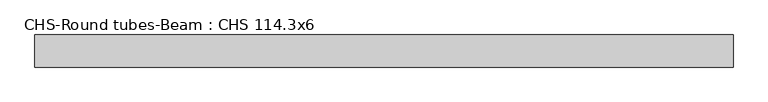
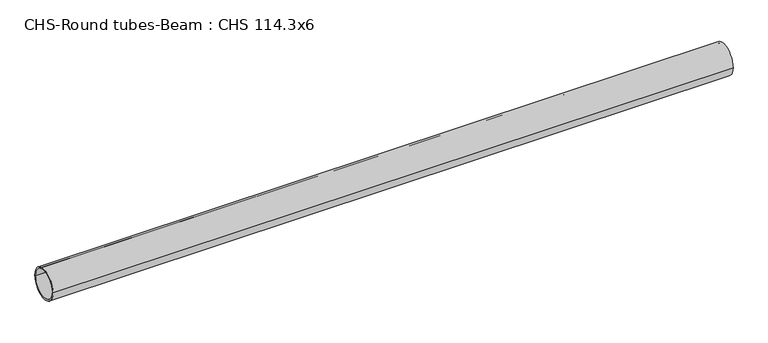
"""IFC4 building model written with IfcOpenShell, lengths in millimetres: beam geometry, CHS-Round tubes-Beam : CHS 114.3x6."""

from ifc_helpers import new_model, si_unit, point, frame, origin, origin_2d, place, context, project, spatial, circle_curve, trimmed, segment, composite_curve, outline, extrude, source, transform, mapped, element, save


def chs_round_tubes_beam_chs_114_3x6_558906cb(model_context):
    return source(origin(), model_context, "Body", "SweptSolid", [
        extrude(outline(composite_curve([segment(trimmed(circle_curve(origin_2d(), 57.15), [point((57.15, 0.0))], [point((-57.15, 0.0))], False, "CARTESIAN"), True, "CONTINUOUS"), segment(trimmed(circle_curve(origin_2d(), 57.15), [point((-57.15, 0.0))], [point((57.15, 0.0))], False, "CARTESIAN"), True, "CONTINUOUS")], self_intersect=False), holes=[composite_curve([segment(trimmed(circle_curve(origin_2d(), 51.15), [point((51.15, 0.0))], [point((-51.15, 0.0))], True, "CARTESIAN"), True, "CONTINUOUS"), segment(trimmed(circle_curve(origin_2d(), 51.15), [point((-51.15, 0.0))], [point((51.15, 0.0))], True, "CARTESIAN"), True, "CONTINUOUS")], self_intersect=False)]), frame((-1089.5553064, 0.0, 0.0), z_axis=(1.0, 0.0, 0.0), x_axis=(0.0, 1.0, 0.0)), (0.0, 0.0, 1.0), 2485.4309035),
    ])


if __name__ == "__main__":
    model = new_model("IFC4")
    model_context = context("Model", 3, world=origin())
    ifc_project = project(units=[si_unit("LENGTHUNIT", "METRE", prefix="MILLI")], contexts=[model_context])
    site = spatial("IfcSite", under=ifc_project)
    building = spatial("IfcBuilding", under=site)
    placement = place(None, origin())
    chs_round_tubes_beam_chs_114_3x6_shape = chs_round_tubes_beam_chs_114_3x6_558906cb(model_context)
    element("IfcBeam", 1, ObjectType="CHS-Round tubes-Beam : CHS 114.3x6", at=placement, inside=building, context=model_context, shape_type="MappedRepresentation", body=[
        mapped(chs_round_tubes_beam_chs_114_3x6_shape, transform((0.0, 0.0, 0.0), x_axis=(1.0, 0.0, 0.0), y_axis=(0.0, 1.0, 0.0), z_axis=(0.0, 0.0, 1.0))),
    ])
    save(model, "model.ifc")
